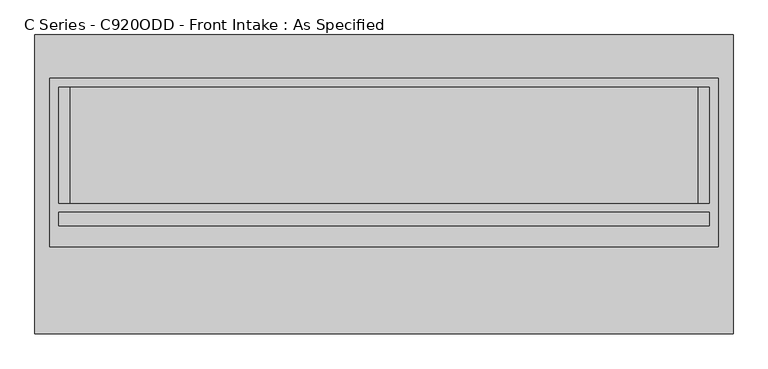
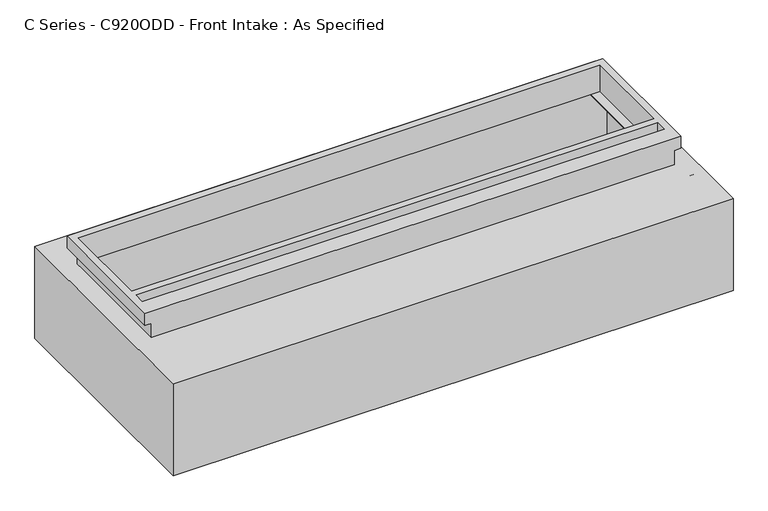
"""IFC4 building model written with IfcOpenShell, lengths in millimetres: proxy geometry, C Series - C920ODD - Front Intake : As Specified."""

from ifc_helpers import new_model, si_unit, frame, origin, place, context, project, spatial, polyline, circle_curve, faceted_brep, source, transform, mapped, element, save
from ifc_brep_helpers import plane_surface, revolved_surface, advanced_brep


def c_series_c920odd_front_intake_as_specified_756afb99(model_context):
    return source(origin(), model_context, "Body", "SolidModel", [
        advanced_brep(
        [(1526.38125, 653.3058594, -530.3242188), (1526.38125, -653.3058594, -530.3242188), (-1526.38125, -653.3058594, -530.3242188), (-1526.38125, 653.3058594, -530.3242188), (1526.38125, 653.3058594, 0.0), (-1526.38125, 653.3058594, 0.0), (-1526.38125, -653.3058594, 0.0), (1526.38125, -653.3058594, 0.0), (1371.6, 424.6066406, 0.0), (1371.6, -83.3933594, 0.0), (-1371.6, -83.3933594, 0.0), (-1371.6, 424.6066406, 0.0), (1526.38125, -272.3058594, -430.3117188), (1526.38125, -294.5308594, -430.3117188), (1526.38125, -170.7058594, -430.3117188), (1526.38125, -192.9308594, -430.3117188), (1526.38125, -272.3058594, -100.1117188), (1526.38125, -294.5308594, -100.1117188), (1526.38125, -170.7058594, -100.1117188), (1526.38125, -192.9308594, -100.1117188), (1460.5, 424.6066406, -527.05), (-1460.5, 424.6066406, -527.05), (-1460.5, -83.3933594, -527.05), (1460.5, -83.3933594, -527.05), (1460.5, 424.6066406, -3.175), (1460.5, -83.3933594, -3.175), (1371.6, -83.3933594, -3.175), (1371.6, 424.6066406, -3.175), (-1460.5, -83.3933594, -3.175), (-1460.5, 424.6066406, -3.175), (-1371.6, 424.6066406, -3.175), (-1371.6, -83.3933594, -3.175), (1510.528271, -294.5308594, -430.3117188), (1510.528271, -272.3058594, -430.3117188), (1510.528271, -192.9308594, -430.3117188), (1510.528271, -170.7058594, -430.3117188), (1510.528271, -294.5308594, -100.1117188), (1510.528271, -272.3058594, -100.1117188), (1510.528271, -192.9308594, -100.1117188), (1510.528271, -170.7058594, -100.1117188)],
        [
            (0, 1),
            (1, 2),
            (2, 3),
            (3, 0),
            (4, 5),
            (5, 6),
            (6, 7),
            (7, 4),
            (8, 9),
            (9, 10),
            (10, 11),
            (11, 8),
            (3, 5),
            (4, 0),
            (2, 6),
            (1, 7),
            (12, 13, circle_curve(frame((1526.38125, -283.4183594, -430.3117188), z_axis=(-1.0, 0.0, 0.0), x_axis=(0.0, 1.0, 0.0)), 11.1125)),
            (13, 12, circle_curve(frame((1526.38125, -283.4183594, -430.3117188), z_axis=(-1.0, 0.0, 0.0), x_axis=(0.0, 1.0, 0.0)), 11.1125)),
            (14, 15, circle_curve(frame((1526.38125, -181.8183594, -430.3117188), z_axis=(-1.0, 0.0, 0.0), x_axis=(0.0, 1.0, 0.0)), 11.1125)),
            (15, 14, circle_curve(frame((1526.38125, -181.8183594, -430.3117188), z_axis=(-1.0, 0.0, 0.0), x_axis=(0.0, 1.0, 0.0)), 11.1125)),
            (16, 17, circle_curve(frame((1526.38125, -283.4183594, -100.1117188), z_axis=(-1.0, 0.0, 0.0), x_axis=(0.0, 1.0, 0.0)), 11.1125)),
            (17, 16, circle_curve(frame((1526.38125, -283.4183594, -100.1117188), z_axis=(-1.0, 0.0, 0.0), x_axis=(0.0, 1.0, 0.0)), 11.1125)),
            (18, 19, circle_curve(frame((1526.38125, -181.8183594, -100.1117188), z_axis=(-1.0, 0.0, 0.0), x_axis=(0.0, 1.0, 0.0)), 11.1125)),
            (19, 18, circle_curve(frame((1526.38125, -181.8183594, -100.1117188), z_axis=(-1.0, 0.0, 0.0), x_axis=(0.0, 1.0, 0.0)), 11.1125)),
            (20, 21),
            (21, 22),
            (22, 23),
            (23, 20),
            (24, 25),
            (25, 26),
            (26, 27),
            (27, 24),
            (28, 29),
            (29, 30),
            (30, 31),
            (31, 28),
            (23, 25),
            (24, 20),
            (22, 28),
            (31, 10),
            (9, 26),
            (21, 29),
            (27, 8),
            (11, 30),
            (32, 33, circle_curve(frame((1510.528271, -283.4183594, -430.3117188), z_axis=(1.0, 0.0, 0.0), x_axis=(0.0, 1.0, 0.0)), 11.1125)),
            (33, 32, circle_curve(frame((1510.528271, -283.4183594, -430.3117188), z_axis=(1.0, 0.0, 0.0), x_axis=(0.0, 1.0, 0.0)), 11.1125)),
            (34, 35, circle_curve(frame((1510.528271, -181.8183594, -430.3117188), z_axis=(1.0, 0.0, 0.0), x_axis=(0.0, 1.0, 0.0)), 11.1125)),
            (35, 34, circle_curve(frame((1510.528271, -181.8183594, -430.3117188), z_axis=(1.0, 0.0, 0.0), x_axis=(0.0, 1.0, 0.0)), 11.1125)),
            (36, 37, circle_curve(frame((1510.528271, -283.4183594, -100.1117188), z_axis=(1.0, 0.0, 0.0), x_axis=(0.0, 1.0, 0.0)), 11.1125)),
            (37, 36, circle_curve(frame((1510.528271, -283.4183594, -100.1117188), z_axis=(1.0, 0.0, 0.0), x_axis=(0.0, 1.0, 0.0)), 11.1125)),
            (38, 39, circle_curve(frame((1510.528271, -181.8183594, -100.1117188), z_axis=(1.0, 0.0, 0.0), x_axis=(0.0, 1.0, 0.0)), 11.1125)),
            (39, 38, circle_curve(frame((1510.528271, -181.8183594, -100.1117188), z_axis=(1.0, 0.0, 0.0), x_axis=(0.0, 1.0, 0.0)), 11.1125)),
            (32, 13),
            (12, 33),
            (34, 15),
            (14, 35),
            (36, 17),
            (16, 37),
            (38, 19),
            (18, 39),
        ],
        [
            plane_surface(frame((-1526.38125, 653.3058594, -530.3242188), z_axis=(0.0, 0.0, -1.0), x_axis=(1.0, 0.0, 0.0))),
            plane_surface(frame((-1526.38125, 653.3058594, 0.0), z_axis=(0.0, 0.0, 1.0), x_axis=(-1.0, 0.0, 0.0))),
            plane_surface(frame((1526.38125, 653.3058594, 0.0), z_axis=(0.0, 1.0, 0.0), x_axis=(0.0, 0.0, -1.0))),
            plane_surface(frame((-1526.38125, 653.3058594, 0.0), z_axis=(-1.0, 0.0, 0.0), x_axis=(0.0, 0.0, -1.0))),
            plane_surface(frame((-1526.38125, -653.3058594, 0.0), z_axis=(0.0, -1.0, 0.0), x_axis=(0.0, 0.0, -1.0))),
            plane_surface(frame((1526.38125, -653.3058594, 0.0), z_axis=(1.0, 0.0, 0.0), x_axis=(0.0, 0.0, -1.0))),
            plane_surface(frame((1460.5, 424.6066406, -527.05), z_axis=(0.0, 0.0, 1.0), x_axis=(0.0, -1.0, 0.0))),
            plane_surface(frame((1460.5, 424.6066406, -3.175), z_axis=(0.0, 0.0, -1.0), x_axis=(0.0, 1.0, 0.0))),
            plane_surface(frame((1460.5, 424.6066406, -527.05), z_axis=(-1.0, 0.0, 0.0), x_axis=(0.0, 0.0, 1.0))),
            plane_surface(frame((1460.5, -83.3933594, -527.05), z_axis=(0.0, 1.0, 0.0), x_axis=(0.0, 0.0, 1.0))),
            plane_surface(frame((-1460.5, -83.3933594, -527.05), z_axis=(1.0, 0.0, 0.0), x_axis=(0.0, 0.0, 1.0))),
            plane_surface(frame((-1460.5, 424.6066406, -527.05), z_axis=(0.0, -1.0, 0.0), x_axis=(0.0, 0.0, 1.0))),
            plane_surface(frame((1371.6, 424.6066406, -25.4), z_axis=(-1.0, 0.0, 0.0), x_axis=(0.0, 0.0, 1.0))),
            plane_surface(frame((-1371.6, -83.3933594, -25.4), z_axis=(1.0, 0.0, 0.0), x_axis=(0.0, 0.0, 1.0))),
            plane_surface(frame((1510.528271, -272.3058594, -430.3117188), z_axis=(1.0, 0.0, 0.0), x_axis=(0.0, 0.0, -1.0))),
            revolved_surface(polyline([(1526.38125, -272.3058594, -430.3117188), (1510.528271, -272.3058594, -430.3117188)]), (1510.528271, -283.4183594, -430.3117188), (1.0, 0.0, 0.0)),
            revolved_surface(polyline([(1526.38125, -170.70585939999998, -430.3117188), (1510.528271, -170.70585939999998, -430.3117188)]), (0.0, -181.8183594, -430.3117188), (1.0, 0.0, 0.0)),
            revolved_surface(polyline([(1526.38125, -272.3058594, -100.1117188), (1510.528271, -272.3058594, -100.1117188)]), (0.0, -283.4183594, -100.1117188), (1.0, 0.0, 0.0)),
            revolved_surface(polyline([(1526.38125, -170.70585939999998, -100.1117188), (1510.528271, -170.70585939999998, -100.1117188)]), (0.0, -181.8183594, -100.1117188), (1.0, 0.0, 0.0)),
        ],
        [
            (0, [[1, 2, 3, 4]]),
            (1, [[5, 6, 7, 8], [9, 10, 11, 12]]),
            (2, [[-4, 13, -5, 14]]),
            (3, [[-3, 15, -6, -13]]),
            (4, [[-2, 16, -7, -15]]),
            (5, [[-1, -14, -8, -16], [17, 18], [19, 20], [21, 22], [23, 24]]),
            (6, [[25, 26, 27, 28]]),
            (7, [[29, 30, 31, 32]]),
            (7, [[33, 34, 35, 36]]),
            (8, [[-28, 37, -29, 38]]),
            (9, [[-27, 39, -36, 40, -10, 41, -30, -37]]),
            (10, [[-26, 42, -33, -39]]),
            (11, [[-25, -38, -32, 43, -12, 44, -34, -42]]),
            (12, [[-43, -31, -41, -9]]),
            (13, [[-40, -35, -44, -11]]),
            (14, [[45, 46]]),
            (14, [[47, 48]]),
            (14, [[49, 50]]),
            (14, [[51, 52]]),
            (15, [[-45, 53, -17, 54]]),
            (15, [[-46, -54, -18, -53]]),
            (16, [[-47, 55, -19, 56]]),
            (16, [[-48, -56, -20, -55]]),
            (17, [[-49, 57, -21, 58]]),
            (17, [[-50, -58, -22, -57]]),
            (18, [[-51, 59, -23, 60]]),
            (18, [[-52, -60, -24, -59]]),
        ],
    ),
        faceted_brep([(1460.5, 464.2941406, 152.4), (-1460.5, 464.2941406, 152.4), (-1460.5, -272.3058594, 152.4), (1460.5, -272.3058594, 152.4), (1422.4, 424.6066406, 152.4), (1422.4, -83.3933594, 152.4), (-1422.4, -83.3933594, 152.4), (-1422.4, 424.6066406, 152.4), (1422.4, -121.4933594, 152.4), (1422.4, -181.8183594, 152.4), (-1422.4, -181.8183594, 152.4), (-1422.4, -121.4933594, 152.4), (1425.575, -272.3058594, 0.0), (-1425.575, -272.3058594, 0.0), (-1425.575, 429.3691406, 0.0), (1425.575, 429.3691406, 0.0), (1422.4, -83.3933594, 0.0), (1422.4, 424.6066406, 0.0), (-1422.4, 424.6066406, 0.0), (-1422.4, -83.3933594, 0.0), (1460.5, 464.2941406, 82.55), (-1460.5, 464.2941406, 82.55), (-1460.5, -272.3058594, 82.55), (-1425.575, -272.3058594, 82.55), (1425.575, -272.3058594, 82.55), (1460.5, -272.3058594, 82.55), (1425.575, 429.3691406, 82.55), (-1425.575, 429.3691406, 82.55), (1422.4, -121.4933594, 82.55), (-1422.4, -121.4933594, 82.55), (-1422.4, -181.8183594, 82.55), (1422.4, -181.8183594, 82.55)], [[[0, 1, 2, 3], [4, 5, 6, 7], [8, 9, 10, 11]], [[12, 13, 14, 15], [16, 17, 18, 19]], [[1, 0, 20, 21]], [[2, 1, 21, 22]], [[3, 2, 22, 23, 13, 12, 24, 25]], [[0, 3, 25, 20]], [[24, 26, 27, 23, 22, 21, 20, 25]], [[26, 24, 12, 15]], [[27, 26, 15, 14]], [[23, 27, 14, 13]], [[16, 5, 4, 17]], [[5, 16, 19, 6]], [[6, 19, 18, 7]], [[17, 4, 7, 18]], [[28, 29, 30, 31]], [[28, 31, 9, 8]], [[31, 30, 10, 9]], [[30, 29, 11, 10]], [[29, 28, 8, 11]]]),
    ])


if __name__ == "__main__":
    model = new_model("IFC4")
    model_context = context("Model", 3, world=origin())
    ifc_project = project(units=[si_unit("LENGTHUNIT", "METRE", prefix="MILLI")], contexts=[model_context])
    site = spatial("IfcSite", under=ifc_project)
    building = spatial("IfcBuilding", under=site)
    placement = place(None, origin())
    c_series_c920odd_front_intake_as_specified_shape = c_series_c920odd_front_intake_as_specified_756afb99(model_context)
    element("IfcBuildingElementProxy", 1, Name="C Series - C920ODD - Front Intake : As Specified", ObjectType="C Series - C920ODD - Front Intake : As Specified", at=placement, inside=building, context=model_context, shape_type="MappedRepresentation", body=[
        mapped(c_series_c920odd_front_intake_as_specified_shape, transform((0.0, 0.0, 0.0), x_axis=(1.0, 0.0, 0.0), y_axis=(0.0, 1.0, 0.0), z_axis=(0.0, 0.0, 1.0))),
    ])
    save(model, "model.ifc")
